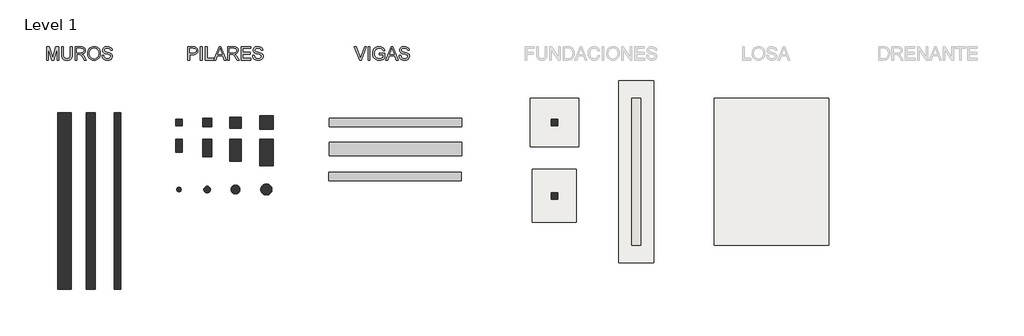
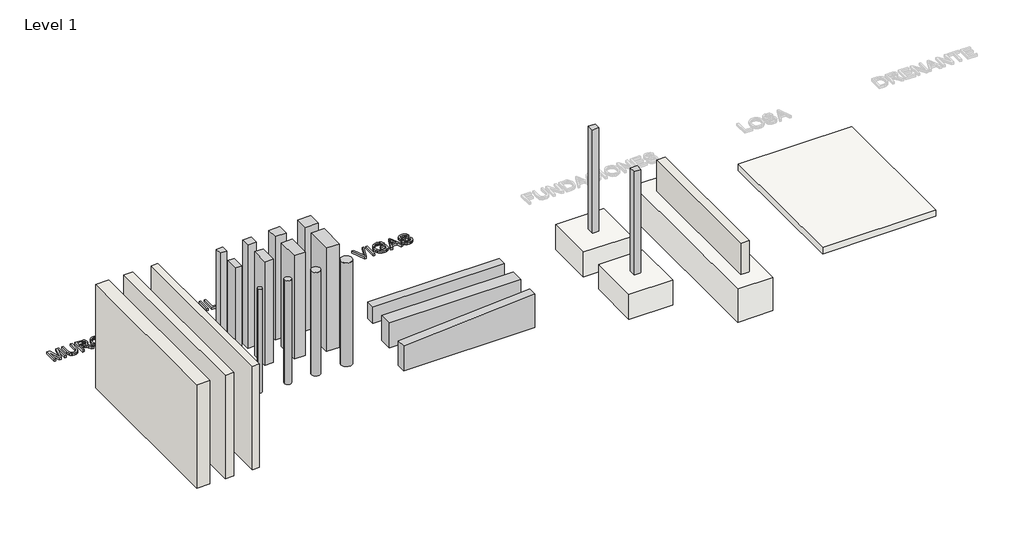
# One storey, part 1 of 2: 14 columns, 4 walls, 3 beams, 3 proxies, 3 slabs, 1 footing.
"""IFC4 building model written with IfcOpenShell, lengths in millimetres."""

import ifcopenshell
import ifcopenshell.guid

model = None  # the IFC model being written
_history = None  # IfcOwnerHistory: only IFC2X3 demands one
_inside = {}  # id of a spatial element -> (the spatial element, [elements in it])
_under = {}  # id of a project, library or spatial element -> (it, [spatial elements below it])
_declared = {}  # id of a project -> (the project, [libraries it declares])
_typed = {}  # id of a type object -> (the type object, [elements of that type])
_made_of = {}  # id of a material, layer set ... -> (it, [elements and type objects made of it])


def new_model(schema):
    """Start an empty IFC model of exactly this schema.

    Asked for "IFC4X3", IfcOpenShell would pick the latest addendum, in which some entities
    have other attributes; the version numbers below select the first issue.
    IFC2X3 requires an IfcOwnerHistory on every rooted entity: one is made here for all.
    """
    global model, _history
    if schema == "IFC4X3":
        model = ifcopenshell.file(schema_version=(4, 3, 0, 0))
    else:
        model = ifcopenshell.file(schema=schema)
    _inside.clear()
    _under.clear()
    _declared.clear()
    _typed.clear()
    _made_of.clear()
    _history = None
    if model.schema == "IFC2X3":
        org = make("IfcOrganization", Name="unknown")
        user = make(
            "IfcPersonAndOrganization",
            ThePerson=make("IfcPerson", FamilyName="unknown"),
            TheOrganization=org,
        )
        app = make(
            "IfcApplication",
            ApplicationDeveloper=org,
            Version="unknown",
            ApplicationFullName="unknown",
            ApplicationIdentifier="unknown",
        )
        _history = make(
            "IfcOwnerHistory",
            OwningUser=user,
            OwningApplication=app,
            ChangeAction="ADDED",
            CreationDate=0,
        )
    return model


def make(cls, **values):
    """One entity of the class cls with the attributes given. An attribute that is None is left unset."""
    return model.create_entity(
        cls, **{name: value for name, value in values.items() if value is not None}
    )


def rooted(cls, **values):
    """An entity with a GlobalId (a new one), such as an element, a storey or a relation."""
    return make(cls, GlobalId=ifcopenshell.guid.new(), OwnerHistory=_history, **values)


def si_unit(unit_type, name, prefix=None):
    """IfcSIUnit, for example si_unit("LENGTHUNIT", "METRE", prefix="MILLI")."""
    return make("IfcSIUnit", UnitType=unit_type, Prefix=prefix, Name=name)


def assignment(units):
    """IfcUnitAssignment: the units of a project."""
    return None if units is None else make("IfcUnitAssignment", Units=units)


def point(xyz):
    """IfcCartesianPoint."""
    return None if xyz is None else make("IfcCartesianPoint", Coordinates=xyz)


def direction(xyz):
    """IfcDirection."""
    return None if xyz is None else make("IfcDirection", DirectionRatios=xyz)


def frame(location, z_axis=None, x_axis=None):
    """IfcAxis2Placement3D, a coordinate frame: its origin and axes. An axis left out is left unset."""
    return make(
        "IfcAxis2Placement3D",
        Location=point(location),
        Axis=direction(z_axis),
        RefDirection=direction(x_axis),
    )


def frame_2d(location, x_axis=None):
    """IfcAxis2Placement2D, a coordinate frame in the plane: its origin and x axis."""
    return make(
        "IfcAxis2Placement2D", Location=point(location), RefDirection=direction(x_axis)
    )


def origin():
    """The frame at (0, 0, 0) with its axes left unset."""
    return frame((0.0, 0.0, 0.0))


def origin_with_axes():
    """The frame at (0, 0, 0) with the z axis (0, 0, 1) and the x axis (1, 0, 0) written out."""
    return frame((0.0, 0.0, 0.0), z_axis=(0.0, 0.0, 1.0), x_axis=(1.0, 0.0, 0.0))


def origin_2d():
    """The frame at (0, 0) in the plane with its x axis left unset."""
    return frame_2d((0.0, 0.0))


def place(relative_to, where):
    """IfcLocalPlacement: puts the frame where relative to a parent placement (None: the world)."""
    return make(
        "IfcLocalPlacement", PlacementRelTo=relative_to, RelativePlacement=where
    )


def context(
    kind, dimensions, precision=None, world=None, true_north=None, identifier=None
):
    """IfcGeometricRepresentationContext, for example the 3D "Model" context."""
    return make(
        "IfcGeometricRepresentationContext",
        ContextIdentifier=identifier,
        ContextType=kind,
        CoordinateSpaceDimension=dimensions,
        Precision=precision,
        WorldCoordinateSystem=world,
        TrueNorth=true_north,
    )


def project(units=None, contexts=None):
    """IfcProject with its units and contexts."""
    return rooted(
        "IfcProject",
        Name="project",
        RepresentationContexts=contexts,
        UnitsInContext=assignment(units),
    )


def spatial(cls, under=None, at=None, **own):
    """A site, building, storey or space (cls), placed at a placement, below another one or the project."""
    s = rooted(cls, ObjectPlacement=at, **own)
    if under is not None:
        _under.setdefault(under.id(), (under, []))[1].append(s)
    return s


def polyline(points):
    """IfcPolyline through the points."""
    return make("IfcPolyline", Points=[point(p) for p in points])


def circle_curve(where, radius):
    """IfcCircle in the frame where."""
    return make("IfcCircle", Position=where, Radius=radius)


def trimmed(basis, trim1, trim2, sense, master):
    """IfcTrimmedCurve: the piece of a basis curve between two trims."""
    return make(
        "IfcTrimmedCurve",
        BasisCurve=basis,
        Trim1=trim1,
        Trim2=trim2,
        SenseAgreement=sense,
        MasterRepresentation=master,
    )


def segment(curve, same_sense, transition):
    """IfcCompositeCurveSegment."""
    return make(
        "IfcCompositeCurveSegment",
        Transition=transition,
        SameSense=same_sense,
        ParentCurve=curve,
    )


def composite_curve(segments, self_intersect=None):
    """IfcCompositeCurve: segments joined end to end."""
    return make("IfcCompositeCurve", Segments=segments, SelfIntersect=self_intersect)


def outline(outer, holes=None, kind="AREA"):
    """IfcArbitraryClosedProfileDef: a profile drawn as a closed curve; with holes, ...WithVoids."""
    if holes is None:
        return make("IfcArbitraryClosedProfileDef", ProfileType=kind, OuterCurve=outer)
    return make(
        "IfcArbitraryProfileDefWithVoids",
        ProfileType=kind,
        OuterCurve=outer,
        InnerCurves=holes,
    )


def extrude(swept, where, along, depth):
    """IfcExtrudedAreaSolid: the profile swept, set in the frame where, extruded along a direction by depth."""
    return make(
        "IfcExtrudedAreaSolid",
        SweptArea=swept,
        Position=where,
        ExtrudedDirection=direction(along),
        Depth=depth,
    )


def shape(context_of_items, identifier, shape_type, items):
    """IfcShapeRepresentation: the items that make up one representation, for example the "Body"."""
    return make(
        "IfcShapeRepresentation",
        ContextOfItems=context_of_items,
        RepresentationIdentifier=identifier,
        RepresentationType=shape_type,
        Items=items,
    )


def source(mapping_origin, context_of_items, identifier, shape_type, items):
    """IfcRepresentationMap: a shape defined once, which mapped items show again and again."""
    return make(
        "IfcRepresentationMap",
        MappingOrigin=mapping_origin,
        MappedRepresentation=shape(context_of_items, identifier, shape_type, items),
    )


def transform(
    local_origin,
    x_axis=None,
    y_axis=None,
    z_axis=None,
    scale=None,
    scale2=None,
    scale3=None,
    uniform=True,
):
    """IfcCartesianTransformationOperator3D, or its non-uniform kind. x_axis, y_axis, z_axis: its Axis1, 2, 3."""
    if uniform:
        return make(
            "IfcCartesianTransformationOperator3D",
            Axis1=direction(x_axis),
            Axis2=direction(y_axis),
            LocalOrigin=point(local_origin),
            Scale=scale,
            Axis3=direction(z_axis),
        )
    return make(
        "IfcCartesianTransformationOperator3DnonUniform",
        Axis1=direction(x_axis),
        Axis2=direction(y_axis),
        LocalOrigin=point(local_origin),
        Scale=scale,
        Axis3=direction(z_axis),
        Scale2=scale2,
        Scale3=scale3,
    )


def mapped(mapping_source, mapping_target):
    """IfcMappedItem: shows the shape of a source again, moved by a transform."""
    return make(
        "IfcMappedItem", MappingSource=mapping_source, MappingTarget=mapping_target
    )


def made_of(thing, what):
    """Note that an element or type object is made of a material, layer set ...; save() writes the relation."""
    if what is not None:
        _made_of.setdefault(what.id(), (what, []))[1].append(thing)
    return thing


def element(
    cls,
    number,
    at=None,
    inside=None,
    cuts=None,
    type_object=None,
    material=None,
    context=None,
    identifier="Body",
    shape_type=None,
    held_by="IfcProductDefinitionShape",
    body=None,
    shapes=None,
    **own,
):
    """One element of the class cls, such as IfcWall. Its Tag is "e" and its number.

    at: its placement. inside: the storey or other place that contains it. cuts: it is an
    opening in that element (IfcRelVoidsElement). A single representation is given by context,
    identifier, shape_type and body (its items); several are given by shapes. held_by: the class
    of the entity that holds the representations. save() writes the other relations.
    """
    e = rooted(cls, Tag="e%d" % number, ObjectPlacement=at, **own)
    if body is not None:
        shapes = [shape(context, identifier, shape_type, body)]
    if shapes is not None:
        e.Representation = make(held_by, Representations=shapes)
    if inside is not None:
        _inside.setdefault(inside.id(), (inside, []))[1].append(e)
    if cuts is not None:
        rooted(
            "IfcRelVoidsElement", RelatingBuildingElement=cuts, RelatedOpeningElement=e
        )
    if type_object is not None:
        _typed.setdefault(type_object.id(), (type_object, []))[1].append(e)
    return made_of(e, material)


def aggregate(whole, parts):
    """IfcRelAggregates: a whole, such as a stair, and the parts it consists of."""
    return rooted("IfcRelAggregates", RelatingObject=whole, RelatedObjects=parts)


def save(model, path):
    """Write the relations noted so far, then the file.

    IfcRelAggregates (storeys below a building ...), IfcRelContainedInSpatialStructure (elements
    in a storey), IfcRelDefinesByType, IfcRelAssociatesMaterial and IfcRelDeclares: one each for
    every whole, place, type object, material and project.
    """
    for whole, parts in _under.values():
        aggregate(whole, parts)
    for where, things in _inside.values():
        rooted(
            "IfcRelContainedInSpatialStructure",
            RelatedElements=things,
            RelatingStructure=where,
        )
    for kind, things in _typed.values():
        rooted("IfcRelDefinesByType", RelatedObjects=things, RelatingType=kind)
    for what, things in _made_of.values():
        rooted("IfcRelAssociatesMaterial", RelatedObjects=things, RelatingMaterial=what)
    for by, libraries in _declared.values():
        rooted("IfcRelDeclares", RelatingContext=by, RelatedDefinitions=libraries)
    model.write(path)


def beam_20_0_x_40_0_cm_237e9766(model_context):
    return source(origin(), model_context, "Body", "SweptSolid", [
        extrude(outline(polyline([(1500.0, 100.0), (1500.0, -100.0), (-1500.0, -100.0), (-1500.0, 100.0), (1500.0, 100.0)])), frame((0.0, 0.0, -200.0), z_axis=(0.0, 0.0, 1.0), x_axis=(1.0, 0.0, 0.0)), (0.0, 0.0, 1.0), 400.0),
    ])


def beam_20_0_x_60_0_80_0_cm_fb411f3d(model_context):
    return source(origin(), model_context, "Body", "SweptSolid", [
        extrude(outline(polyline([(-150.0, 1500.0), (650.0, 1500.0), (450.0, -1500.0), (-150.0, -1500.0), (-150.0, 1500.0)])), frame((0.0, -100.0, 0.0), z_axis=(0.0, 1.0, 0.0), x_axis=(0.0, 0.0, 1.0)), (0.0, 0.0, 1.0), 200.0),
    ])


def beam_30_0_x_60_0_cm_c8492b91(model_context):
    return source(origin(), model_context, "Body", "SweptSolid", [
        extrude(outline(polyline([(1500.0, 150.0), (1500.0, -150.0), (-1500.0, -150.0), (-1500.0, 150.0), (1500.0, 150.0)])), frame((0.0, 0.0, -300.0), z_axis=(0.0, 0.0, 1.0), x_axis=(1.0, 0.0, 0.0)), (0.0, 0.0, 1.0), 600.0),
    ])


def column_092f60bb(model_context):
    return source(origin(), model_context, "Body", "SweptSolid", [
        extrude(outline(composite_curve([segment(trimmed(circle_curve(origin_2d(), 75.0), [point((-75.0, 0.0))], [point((75.0, 0.0))], False, "CARTESIAN"), True, "CONTINUOUS"), segment(trimmed(circle_curve(origin_2d(), 75.0), [point((75.0, 0.0))], [point((-75.0, 0.0))], False, "CARTESIAN"), True, "CONTINUOUS")], self_intersect=False)), origin_with_axes(), (0.0, 0.0, 1.0), 2500.0),
    ])


def column_4fd2da0b(model_context):
    return source(origin(), model_context, "Body", "SweptSolid", [
        extrude(outline(composite_curve([segment(trimmed(circle_curve(origin_2d(), 100.0), [point((-100.0, 0.0))], [point((100.0, 0.0))], False, "CARTESIAN"), True, "CONTINUOUS"), segment(trimmed(circle_curve(origin_2d(), 100.0), [point((100.0, 0.0))], [point((-100.0, 0.0))], False, "CARTESIAN"), True, "CONTINUOUS")], self_intersect=False)), origin_with_axes(), (0.0, 0.0, 1.0), 2500.0),
    ])


def column_05c106c8(model_context):
    return source(origin(), model_context, "Body", "SweptSolid", [
        extrude(outline(composite_curve([segment(trimmed(circle_curve(origin_2d(), 125.0), [point((-125.0, 0.0))], [point((125.0, 0.0))], False, "CARTESIAN"), True, "CONTINUOUS"), segment(trimmed(circle_curve(origin_2d(), 125.0), [point((125.0, 0.0))], [point((-125.0, 0.0))], False, "CARTESIAN"), True, "CONTINUOUS")], self_intersect=False)), origin_with_axes(), (0.0, 0.0, 1.0), 2500.0),
    ])


def column_b3af6c84(model_context):
    return source(origin(), model_context, "Body", "SweptSolid", [
        extrude(outline(composite_curve([segment(trimmed(circle_curve(origin_2d(), 50.0), [point((-50.0, 0.0))], [point((50.0, 0.0))], False, "CARTESIAN"), True, "CONTINUOUS"), segment(trimmed(circle_curve(origin_2d(), 50.0), [point((50.0, 0.0))], [point((-50.0, 0.0))], False, "CARTESIAN"), True, "CONTINUOUS")], self_intersect=False)), origin_with_axes(), (0.0, 0.0, 1.0), 2500.0),
    ])


def column_0_15_x_0_30_cm_678780c0(model_context):
    return source(origin(), model_context, "Body", "SweptSolid", [
        extrude(outline(polyline([(75.0, 150.0), (75.0, -150.0), (-75.0, -150.0), (-75.0, 150.0), (75.0, 150.0)])), origin_with_axes(), (0.0, 0.0, 1.0), 2500.0),
    ])


def column_0_20_x_0_40_cm_0b7c4c8e(model_context):
    return source(origin(), model_context, "Body", "SweptSolid", [
        extrude(outline(polyline([(100.0, 200.0), (100.0, -200.0), (-100.0, -200.0), (-100.0, 200.0), (100.0, 200.0)])), origin_with_axes(), (0.0, 0.0, 1.0), 2500.0),
    ])


def column_0_25_x_0_50_cm_1ace336a(model_context):
    return source(origin(), model_context, "Body", "SweptSolid", [
        extrude(outline(polyline([(125.0, 250.0), (125.0, -250.0), (-125.0, -250.0), (-125.0, 250.0), (125.0, 250.0)])), origin_with_axes(), (0.0, 0.0, 1.0), 2500.0),
    ])


def column_0_30_x_0_60_cm_f4316716(model_context):
    return source(origin(), model_context, "Body", "SweptSolid", [
        extrude(outline(polyline([(150.0, 300.0), (150.0, -300.0), (-150.0, -300.0), (-150.0, 300.0), (150.0, 300.0)])), origin_with_axes(), (0.0, 0.0, 1.0), 2500.0),
    ])


def column_15_0_x_15_0_cm_c21d2a4d(model_context):
    return source(origin(), model_context, "Body", "SweptSolid", [
        extrude(outline(polyline([(0.0, 75.0), (0.0, -75.0), (-150.0, -75.0), (-150.0, 75.0), (0.0, 75.0)])), origin_with_axes(), (0.0, 0.0, 1.0), 2500.0),
    ])


def column_20_0_x_20_0_cm_a6cfb708(model_context):
    return source(origin(), model_context, "Body", "SweptSolid", [
        extrude(outline(polyline([(25.0, 100.0), (25.0, -100.0), (-175.0, -100.0), (-175.0, 100.0), (25.0, 100.0)])), origin_with_axes(), (0.0, 0.0, 1.0), 2500.0),
    ])


def column_25_0_x_25_0_cm_426eb0ba(model_context):
    return source(origin(), model_context, "Body", "SweptSolid", [
        extrude(outline(polyline([(50.0, 125.0), (50.0, -125.0), (-200.0, -125.0), (-200.0, 125.0), (50.0, 125.0)])), origin_with_axes(), (0.0, 0.0, 1.0), 2500.0),
    ])


def column_30_0_x_30_0_cm_4ad6095c(model_context):
    return source(origin(), model_context, "Body", "SweptSolid", [
        extrude(outline(polyline([(75.0, 150.0), (75.0, -150.0), (-225.0, -150.0), (-225.0, 150.0), (75.0, 150.0)])), origin_with_axes(), (0.0, 0.0, 1.0), 2500.0),
    ])


def slab_1_1_x1_1_x_0_8_m_0ae87936(model_context):
    return source(origin(), model_context, "Body", "SweptSolid", [
        extrude(outline(polyline([(550.0, 550.0), (550.0, -550.0), (-550.0, -550.0), (-550.0, 550.0), (550.0, 550.0)])), frame((0.0, 0.0, -600.0), z_axis=(0.0, 0.0, 1.0), x_axis=(1.0, 0.0, 0.0)), (0.0, 0.0, 1.0), 600.0),
    ])


model = new_model("IFC4")

# Units and contexts
model_context = context("Model", 3, world=origin())
ifc_project = project(units=[si_unit("LENGTHUNIT", "METRE", prefix="MILLI")], contexts=[model_context])

# Site, building, storey
site = spatial("IfcSite", under=ifc_project)
building = spatial("IfcBuilding", under=site)
storey = spatial("IfcBuildingStorey", under=building, Name="Level 1", Elevation=0.0)

# Beams
placement = place(None, origin())
beam_20_0_x_40_0_cm_shape = beam_20_0_x_40_0_cm_237e9766(model_context)
element("IfcBeam", 1, ObjectType="- 20.0 x 40.0 cm", at=placement, inside=storey, context=model_context, shape_type="MappedRepresentation", body=[
    mapped(beam_20_0_x_40_0_cm_shape, transform((8604.9142725, 3528.5255102, -200.0), x_axis=(1.0, 0.0, 0.0), y_axis=(0.0, 1.0, 0.0), z_axis=(0.0, 0.0, 1.0))),
])
beam_20_0_x_60_0_80_0_cm_shape = beam_20_0_x_60_0_80_0_cm_fb411f3d(model_context)
element("IfcBeam", 2, ObjectType="- 20.0 x 60.0 / 80.0 cm", at=placement, inside=storey, context=model_context, shape_type="MappedRepresentation", body=[
    mapped(beam_20_0_x_60_0_80_0_cm_shape, transform((8600.1951737, 2308.551223, -650.0), x_axis=(1.0, 0.0, 0.0), y_axis=(0.0, 1.0, 0.0), z_axis=(0.0, 0.0, 1.0))),
])
beam_30_0_x_60_0_cm_shape = beam_30_0_x_60_0_cm_c8492b91(model_context)
element("IfcBeam", 3, ObjectType="- 30.0 x 60.0 cm", at=placement, inside=storey, context=model_context, shape_type="MappedRepresentation", body=[
    mapped(beam_30_0_x_60_0_cm_shape, transform((8604.9142725, 2928.5255102, -300.0), x_axis=(1.0, 0.0, 0.0), y_axis=(0.0, 1.0, 0.0), z_axis=(0.0, 0.0, 1.0))),
])

# Proxies
element("IfcBuildingElementProxy", 4, Name="Generic Models", at=placement, inside=storey, context=model_context, shape_type="SweptSolid", body=[
    extrude(outline(polyline([(705.7178167, 4943.9931302), (705.7178167, 5245.3620607), (770.5386243, 5245.3620607), (832.1956467, 5032.9469966), (844.6300581, 4988.580428), (858.0945391, 5036.6258166), (918.7214919, 5245.3620607), (983.5422995, 5245.3620607), (983.5422995, 4943.9931302), (945.8711832, 4943.9931302), (945.8711832, 5207.6909443), (870.1610686, 4943.9931302), (819.0990476, 4943.9931302), (743.388933, 5207.6909443), (743.388933, 4943.9931302), (705.7178167, 4943.9931302)])), origin_with_axes(), (0.0, 0.0, 1.0), 50.0),
    extrude(outline(polyline([(1247.2401136, 5245.3620607), (1284.9112299, 5245.3620607), (1284.9112299, 5071.5010297), (1282.3544501, 5030.7856899), (1274.6841105, 4999.4329469), (1260.3551067, 4975.2447057), (1237.8223345, 4956.0228714), (1207.0306115, 4943.4688984), (1167.9247555, 4939.2842407), (1129.674225, 4942.9262724), (1099.0940342, 4953.8523677), (1076.1749859, 4971.6854474), (1060.9078831, 4996.0484325), (1052.3270355, 5028.7255507), (1049.466753, 5071.5010297), (1049.466753, 5245.3620607), (1087.1378693, 5245.3620607), (1087.1378693, 5072.8254049), (1088.9956734, 5038.9710643), (1094.5690856, 5015.3990255), (1104.6674464, 4999.0742619), (1120.1000961, 4986.9617472), (1140.2232412, 4979.4569545), (1164.3930883, 4976.955357), (1202.7079981, 4981.9033698), (1217.0507974, 4988.0883858), (1228.1838263, 4996.7474083), (1236.520952, 5008.9243024), (1242.4760418, 5025.6629331), (1247.2401136, 5072.8254049), (1247.2401136, 5245.3620607)])), origin_with_axes(), (0.0, 0.0, 1.0), 50.0),
    extrude(outline(polyline([(1350.8356835, 4943.9931302), (1350.8356835, 5245.3620607), (1480.6980278, 5245.3620607), (1515.600832, 5243.3295126), (1540.9938868, 5237.2318686), (1559.5535334, 5225.9746795), (1573.9561135, 5208.4634965), (1583.1991487, 5186.7492618), (1586.2801604, 5162.8829173), (1581.1757977, 5133.1948403), (1565.8627096, 5108.5835348), (1554.2629305, 5098.554152), (1539.8810437, 5090.538923), (1502.7709475, 5080.5509268), (1524.1816796, 5064.4376954), (1554.7158852, 5025.6629331), (1604.9685657, 4943.9931302), (1561.1906083, 4943.9931302), (1521.9743876, 5006.459493), (1493.647474, 5047.8094292), (1473.745058, 5067.3439632), (1455.8292049, 5074.5176621), (1433.9770144, 5075.8420373), (1388.5067998, 5075.8420373), (1388.5067998, 4943.9931302), (1350.8356835, 4943.9931302)]), holes=[polyline([(1388.5067998, 5113.5131536), (1472.8253531, 5113.5131536), (1497.0411854, 5114.8467258), (1515.8307583, 5118.8474425), (1529.975821, 5125.7820181), (1540.2581228, 5135.9171671), (1546.5213137, 5148.1768346), (1548.6090441, 5161.4849658), (1544.6267215, 5179.8606714), (1532.6797537, 5194.6679217), (1512.1243472, 5204.4351887), (1482.3167085, 5207.6909443), (1388.5067998, 5207.6909443), (1388.5067998, 5113.5131536)])]), origin_with_axes(), (0.0, 0.0, 1.0), 50.0),
    extrude(outline(polyline([(1638.0779453, 5090.7044699), (1640.5887399, 5126.0533311), (1648.1211238, 5157.3462933), (1660.6750968, 5184.5833565), (1678.2506592, 5207.7645207), (1699.7947485, 5226.2735836), (1724.2543027, 5239.4943428), (1751.6293216, 5247.4267983), (1781.9198054, 5250.0709502), (1821.4487258, 5245.1045433), (1856.894156, 5230.2053225), (1886.3247156, 5206.4217515), (1907.8090242, 5174.802294), (1920.9424114, 5136.8736603), (1925.3202071, 5094.1625606), (1920.7124851, 5050.8812439), (1906.8893192, 5012.4191813), (1884.6140644, 4980.7445415), (1854.6500759, 4957.8254932), (1819.5081483, 4943.9195538), (1781.6990762, 4939.2842407), (1741.5631505, 4944.4069974), (1705.9153852, 4959.7752678), (1676.558402, 4984.0002972), (1655.2948227, 5015.6933311), (1642.3821646, 5052.1596338), (1638.0779453, 5090.7044699)]), holes=[polyline([(1675.7490616, 5090.3365879), (1677.6321576, 5065.3619989), (1683.2814455, 5043.1925102), (1692.6969253, 5023.8281217), (1705.878597, 5007.2688334), (1721.9021572, 4994.0066874), (1739.8433022, 4984.5337261), (1759.7020322, 4978.8499492), (1781.478347, 4976.955357), (1803.6271424, 4978.8683433), (1823.7203971, 4984.6073025), (1841.7581112, 4994.1722343), (1857.7402846, 5007.563139), (1870.8253873, 5024.4719152), (1880.1718893, 5044.5904618), (1885.7797904, 5067.9187788), (1887.6490908, 5094.4568662), (1884.4485175, 5127.8053691), (1874.8467974, 5156.6289234), (1859.0922509, 5180.2009623), (1837.4331985, 5197.7949187), (1811.3043798, 5208.7486051), (1782.1405346, 5212.3998339), (1761.1206771, 5210.6408981), (1741.6183328, 5205.3640907), (1723.6335018, 5196.5694118), (1707.166184, 5184.2568613), (1693.4211929, 5167.8332294), (1683.6033422, 5146.7053066), (1677.7126317, 5120.8730927), (1675.7490616, 5090.3365879)])]), origin_with_axes(), (0.0, 0.0, 1.0), 50.0),
    extrude(outline(polyline([(1962.9913234, 5047.5887), (2000.6624397, 5047.5887), (2004.9850532, 5026.6838057), (2012.8025456, 5009.8807955), (2024.9978337, 4996.5450732), (2042.4538344, 4986.0420423), (2063.7909901, 4979.2270283), (2087.6297434, 4976.955357), (2108.6174112, 4978.6752053), (2126.9931169, 4983.8347503), (2141.8831406, 4992.0017306), (2152.4137628, 5002.7438848), (2158.6769537, 5015.0771287), (2160.764684, 5028.0173779), (2159.2011856, 5040.6265333), (2154.5106901, 5051.5250374), (2144.9825464, 5060.8232548), (2128.9061033, 5068.6315502), (2074.0548978, 5083.0157362), (2038.0484475, 5092.5346828), (2015.0098376, 5101.5937769), (1996.2570528, 5114.2673117), (1982.9673158, 5129.626385), (1975.0486558, 5147.339903), (1972.4091025, 5167.0767721), (1975.6740552, 5189.1404947), (1985.4689133, 5209.7142953), (2001.5361595, 5227.1519019), (2023.6182762, 5239.8070425), (2050.124174, 5247.5049733), (2079.4627631, 5250.0709502), (2111.2477675, 5247.3854116), (2139.0596463, 5239.3287959), (2161.9051182, 5226.06665), (2178.7909018, 5207.7645207), (2189.4778738, 5185.5628423), (2193.7269108, 5160.602049), (2156.0557945, 5160.602049), (2149.139613, 5183.0796389), (2134.7186388, 5199.3032349), (2112.1858666, 5209.1256841), (2080.9342911, 5212.3998339), (2048.9469516, 5209.1624723), (2027.0027906, 5199.4503877), (2014.3108618, 5185.1581721), (2010.0802188, 5168.1804181), (2013.0784571, 5153.7042616), (2022.0731719, 5142.0607964), (2043.3367512, 5131.6497359), (2083.5830415, 5121.0179463), (2125.1169187, 5110.9195855), (2150.243259, 5102.1088117), (2171.7183704, 5088.4419956), (2186.7003647, 5071.5746061), (2195.5019414, 5051.6905843), (2198.4358003, 5028.9738711), (2195.060483, 5005.7513201), (2184.9345311, 4983.9083267), (2168.4718118, 4965.1095567), (2146.0861924, 4951.0196763), (2119.1664274, 4942.2180996), (2089.1012714, 4939.2842407), (2052.1935102, 4942.4480258), (2021.8156545, 4951.9393813), (1997.6182162, 4967.7950953), (1979.2517076, 4990.051956), (1967.4610897, 5017.164859), (1962.9913234, 5047.5887)])), origin_with_axes(), (0.0, 0.0, 1.0), 50.0),
])
element("IfcBuildingElementProxy", 5, Name="Generic Models", at=placement, inside=storey, context=model_context, shape_type="SweptSolid", body=[
    extrude(outline(polyline([(3905.7178167, 4943.9931302), (3905.7178167, 5245.3620607), (4017.4067905, 5245.3620607), (4062.4355467, 5242.4925811), (4082.5127065, 5237.130701), (4099.0398052, 5228.4027007), (4112.3479364, 5215.9131069), (4122.7681939, 5199.2664467), (4129.5004344, 5179.6307452), (4131.7445146, 5158.1740278), (4130.2293006, 5139.674162), (4125.6836587, 5122.6550212), (4118.1075888, 5107.1166054), (4107.5010911, 5093.0589146), (4092.9398619, 5081.4062525), (4073.4995977, 5073.0829223), (4049.1802985, 5068.0889242), (4019.9819644, 5066.4242582), (3943.388933, 5066.4242582), (3943.388933, 4943.9931302), (3905.7178167, 4943.9931302)]), holes=[polyline([(3943.388933, 5104.0953745), (4022.1892564, 5104.0953745), (4055.5929416, 5107.5534653), (4077.6658613, 5117.9277375), (4089.971514, 5134.5743978), (4094.0733982, 5156.8496526), (4091.6545741, 5173.7722244), (4084.3981018, 5188.0460458), (4073.2052921, 5198.7882001), (4058.9774559, 5205.1157704), (4021.3063396, 5207.6909443), (3943.388933, 5207.6909443), (3943.388933, 5104.0953745)])]), origin_with_axes(), (0.0, 0.0, 1.0), 50.0),
    extrude(outline(polyline([(4188.251189, 4943.9931302), (4188.251189, 5245.3620607), (4225.9223053, 5245.3620607), (4225.9223053, 4943.9931302), (4188.251189, 4943.9931302)])), origin_with_axes(), (0.0, 0.0, 1.0), 50.0),
    extrude(outline(polyline([(4301.2645379, 4943.9931302), (4301.2645379, 5245.3620607), (4338.9356542, 5245.3620607), (4338.9356542, 4981.6642465), (4489.6201195, 4981.6642465), (4489.6201195, 4943.9931302), (4301.2645379, 4943.9931302)])), origin_with_axes(), (0.0, 0.0, 1.0), 50.0),
    extrude(outline(polyline([(4496.904183, 4943.9931302), (4617.2015954, 5245.3620607), (4649.2809054, 5245.3620607), (4769.5783178, 4943.9931302), (4729.7734859, 4943.9931302), (4695.2661548, 5038.170921), (4571.1427696, 5038.170921), (4536.7090148, 4943.9931302), (4496.904183, 4943.9931302)]), holes=[polyline([(4584.9751326, 5075.8420373), (4681.5073681, 5075.8420373), (4654.3576769, 5149.9334711), (4633.2412504, 5207.6909443), (4614.4792686, 5156.4081942), (4584.9751326, 5075.8420373)])]), origin_with_axes(), (0.0, 0.0, 1.0), 50.0),
    extrude(outline(polyline([(4809.8246081, 4943.9931302), (4809.8246081, 5245.3620607), (4939.6869524, 5245.3620607), (4974.5897567, 5243.3295126), (4999.9828114, 5237.2318686), (5018.542458, 5225.9746795), (5032.9450381, 5208.4634965), (5042.1880733, 5186.7492618), (5045.269085, 5162.8829173), (5040.1647223, 5133.1948403), (5024.8516342, 5108.5835348), (5013.2518551, 5098.554152), (4998.8699683, 5090.538923), (4961.7598721, 5080.5509268), (4983.1706042, 5064.4376954), (5013.7048098, 5025.6629331), (5063.9574903, 4943.9931302), (5020.1795329, 4943.9931302), (4980.9633122, 5006.459493), (4952.6363986, 5047.8094292), (4932.7339827, 5067.3439632), (4914.8181295, 5074.5176621), (4892.965939, 5075.8420373), (4847.4957244, 5075.8420373), (4847.4957244, 4943.9931302), (4809.8246081, 4943.9931302)]), holes=[polyline([(4847.4957244, 5113.5131536), (4931.8142777, 5113.5131536), (4956.03011, 5114.8467258), (4974.8196829, 5118.8474425), (4988.9647456, 5125.7820181), (4999.2470474, 5135.9171671), (5005.5102383, 5148.1768346), (5007.5979687, 5161.4849658), (5003.6156461, 5179.8606714), (4991.6686783, 5194.6679217), (4971.1132718, 5204.4351887), (4941.3056331, 5207.6909443), (4847.4957244, 5207.6909443), (4847.4957244, 5113.5131536)])]), origin_with_axes(), (0.0, 0.0, 1.0), 50.0),
    extrude(outline(polyline([(5111.1935385, 4943.9931302), (5111.1935385, 5245.3620607), (5327.8024573, 5245.3620607), (5327.8024573, 5207.6909443), (5148.8646548, 5207.6909443), (5148.8646548, 5118.2220431), (5318.3846782, 5118.2220431), (5318.3846782, 5080.5509268), (5148.8646548, 5080.5509268), (5148.8646548, 4981.6642465), (5332.5113468, 4981.6642465), (5332.5113468, 4943.9931302), (5111.1935385, 4943.9931302)])), origin_with_axes(), (0.0, 0.0, 1.0), 50.0),
    extrude(outline(polyline([(5374.8913527, 5047.5887), (5412.562469, 5047.5887), (5416.8850824, 5026.6838057), (5424.7025748, 5009.8807955), (5436.8978629, 4996.5450732), (5454.3538636, 4986.0420423), (5475.6910193, 4979.2270283), (5499.5297726, 4976.955357), (5520.5174404, 4978.6752053), (5538.8931461, 4983.8347503), (5553.7831699, 4992.0017306), (5564.313792, 5002.7438848), (5570.5769829, 5015.0771287), (5572.6647133, 5028.0173779), (5571.1012148, 5040.6265333), (5566.4107193, 5051.5250374), (5556.8825757, 5060.8232548), (5540.8061325, 5068.6315502), (5485.954927, 5083.0157362), (5449.9484767, 5092.5346828), (5426.9098668, 5101.5937769), (5408.1570821, 5114.2673117), (5394.867345, 5129.626385), (5386.948685, 5147.339903), (5384.3091317, 5167.0767721), (5387.5740844, 5189.1404947), (5397.3689426, 5209.7142953), (5413.4361887, 5227.1519019), (5435.5183055, 5239.8070425), (5462.0242032, 5247.5049733), (5491.3627923, 5250.0709502), (5523.1477967, 5247.3854116), (5550.9596755, 5239.3287959), (5573.8051474, 5226.06665), (5590.690931, 5207.7645207), (5601.377903, 5185.5628423), (5605.62694, 5160.602049), (5567.9558237, 5160.602049), (5561.0396422, 5183.0796389), (5546.618668, 5199.3032349), (5524.0858958, 5209.1256841), (5492.8343203, 5212.3998339), (5460.8469808, 5209.1624723), (5438.9028198, 5199.4503877), (5426.210891, 5185.1581721), (5421.980248, 5168.1804181), (5424.9784863, 5153.7042616), (5433.9732011, 5142.0607964), (5455.2367804, 5131.6497359), (5495.4830707, 5121.0179463), (5537.0169479, 5110.9195855), (5562.1432882, 5102.1088117), (5583.6183997, 5088.4419956), (5598.6003939, 5071.5746061), (5607.4019707, 5051.6905843), (5610.3358296, 5028.9738711), (5606.9605123, 5005.7513201), (5596.8345603, 4983.9083267), (5580.3718411, 4965.1095567), (5557.9862217, 4951.0196763), (5531.0664567, 4942.2180996), (5501.0013006, 4939.2842407), (5464.0935394, 4942.4480258), (5433.7156837, 4951.9393813), (5409.5182455, 4967.7950953), (5391.1517368, 4990.051956), (5379.3611189, 5017.164859), (5374.8913527, 5047.5887)])), origin_with_axes(), (0.0, 0.0, 1.0), 50.0),
])
element("IfcBuildingElementProxy", 6, Name="Generic Models", at=placement, inside=storey, context=model_context, shape_type="SweptSolid", body=[
    extrude(outline(polyline([(7794.7452596, 4943.9931302), (7674.8157291, 5245.3620607), (7715.1355958, 5245.3620607), (7795.4074471, 5028.2381071), (7811.6678313, 4979.3098017), (7827.7074863, 5028.2381071), (7908.2000669, 5245.3620607), (7948.5199335, 5245.3620607), (7833.6671746, 4943.9931302), (7794.7452596, 4943.9931302)])), origin_with_axes(), (0.0, 0.0, 1.0), 50.0),
    extrude(outline(polyline([(7988.251189, 4943.9931302), (7988.251189, 5245.3620607), (8025.9223053, 5245.3620607), (8025.9223053, 4943.9931302), (7988.251189, 4943.9931302)])), origin_with_axes(), (0.0, 0.0, 1.0), 50.0),
    extrude(outline(polyline([(8242.5312241, 5061.7153687), (8242.5312241, 5099.386485), (8364.9623521, 5099.386485), (8364.9623521, 4986.741018), (8335.2098957, 4966.0476558), (8304.5193403, 4951.2036173), (8272.9642621, 4942.2640848), (8240.6182377, 4939.2842407), (8198.3577935, 4944.0207214), (8160.1624454, 4958.2301634), (8128.4326233, 4981.4159262), (8105.5687573, 5013.0813689), (8091.7455913, 5051.0651849), (8087.1378693, 5093.2060674), (8091.7271972, 5135.6504526), (8105.4951809, 5175.1333878), (8127.8716032, 5208.2519644), (8158.2862472, 5231.603274), (8195.3319641, 5245.4540312), (8237.6016053, 5250.0709502), (8268.6324516, 5247.3946087), (8296.536301, 5239.3655841), (8320.0347634, 5226.5632907), (8337.849449, 5209.5671425), (8351.0288215, 5187.5586022), (8360.6213445, 5159.7191322), (8325.8932842, 5149.9334711), (8318.1401711, 5169.7899018), (8308.713195, 5184.771896), (8296.2419954, 5196.0658733), (8279.3562118, 5204.858253), (8259.2238696, 5210.5144387), (8237.0129942, 5212.3998339), (8211.0129341, 5210.3672859), (8188.7836646, 5204.2696418), (8170.4079589, 5194.8702568), (8155.9685906, 5182.9324861), (8136.5812095, 5153.9065967), (8127.7520416, 5125.4693184), (8124.8089856, 5094.7511718), (8128.3498498, 5058.7263274), (8138.9724424, 5029.0842357), (8156.3548667, 5006.0364287), (8180.1752259, 4989.7944386), (8208.0514841, 4980.1651274), (8237.6016053, 4976.955357), (8263.6936359, 4979.3741811), (8289.1418729, 4986.6306534), (8311.2423837, 4996.6278467), (8327.2912358, 5007.2688334), (8327.2912358, 5061.7153687), (8242.5312241, 5061.7153687)])), origin_with_axes(), (0.0, 0.0, 1.0), 50.0),
    extrude(outline(polyline([(8391.0819737, 4943.9931302), (8511.3793862, 5245.3620607), (8543.4586961, 5245.3620607), (8663.7561086, 4943.9931302), (8623.9512767, 4943.9931302), (8589.4439455, 5038.170921), (8465.3205604, 5038.170921), (8430.8868056, 4943.9931302), (8391.0819737, 4943.9931302)]), holes=[polyline([(8479.1529234, 5075.8420373), (8575.6851589, 5075.8420373), (8548.5354677, 5149.9334711), (8527.4190411, 5207.6909443), (8508.6570594, 5156.4081942), (8479.1529234, 5075.8420373)])]), origin_with_axes(), (0.0, 0.0, 1.0), 50.0),
    extrude(outline(polyline([(8689.8757302, 5047.5887), (8727.5468465, 5047.5887), (8731.86946, 5026.6838057), (8739.6869524, 5009.8807955), (8751.8822405, 4996.5450732), (8769.3382412, 4986.0420423), (8790.6753969, 4979.2270283), (8814.5141502, 4976.955357), (8835.501818, 4978.6752053), (8853.8775237, 4983.8347503), (8868.7675474, 4992.0017306), (8879.2981695, 5002.7438848), (8885.5613605, 5015.0771287), (8887.6490908, 5028.0173779), (8886.0855923, 5040.6265333), (8881.3950969, 5051.5250374), (8871.8669532, 5060.8232548), (8855.79051, 5068.6315502), (8800.9393046, 5083.0157362), (8764.9328543, 5092.5346828), (8741.8942443, 5101.5937769), (8723.1414596, 5114.2673117), (8709.8517226, 5129.626385), (8701.9330626, 5147.339903), (8699.2935093, 5167.0767721), (8702.558462, 5189.1404947), (8712.3533201, 5209.7142953), (8728.4205663, 5227.1519019), (8750.502683, 5239.8070425), (8777.0085808, 5247.5049733), (8806.3471699, 5250.0709502), (8838.1321743, 5247.3854116), (8865.9440531, 5239.3287959), (8888.789525, 5226.06665), (8905.6753086, 5207.7645207), (8916.3622805, 5185.5628423), (8920.6113176, 5160.602049), (8882.9402013, 5160.602049), (8876.0240198, 5183.0796389), (8861.6030456, 5199.3032349), (8839.0702734, 5209.1256841), (8807.8186979, 5212.3998339), (8775.8313584, 5209.1624723), (8753.8871974, 5199.4503877), (8741.1952685, 5185.1581721), (8736.9646256, 5168.1804181), (8739.9628639, 5153.7042616), (8748.9575786, 5142.0607964), (8770.221158, 5131.6497359), (8810.4674482, 5121.0179463), (8852.0013255, 5110.9195855), (8877.1276658, 5102.1088117), (8898.6027772, 5088.4419956), (8913.5847715, 5071.5746061), (8922.3863482, 5051.6905843), (8925.3202071, 5028.9738711), (8921.9448898, 5005.7513201), (8911.8189379, 4983.9083267), (8895.3562186, 4965.1095567), (8872.9705992, 4951.0196763), (8846.0508342, 4942.2180996), (8815.9856782, 4939.2842407), (8779.077917, 4942.4480258), (8748.7000612, 4951.9393813), (8724.502623, 4967.7950953), (8706.1361144, 4990.051956), (8694.3454965, 5017.164859), (8689.8757302, 5047.5887)])), origin_with_axes(), (0.0, 0.0, 1.0), 50.0),
])

# Columns
column_shape = column_092f60bb(model_context)
element("IfcColumn", 7, at=placement, inside=storey, context=model_context, shape_type="MappedRepresentation", body=[
    mapped(column_shape, transform((4343.8642275, 2013.5255102, 0.0), x_axis=(1.0, 0.0, 0.0), y_axis=(0.0, 1.0, 0.0), z_axis=(0.0, 0.0, 1.0))),
])
column_2_shape = column_4fd2da0b(model_context)
element("IfcColumn", 8, at=placement, inside=storey, context=model_context, shape_type="MappedRepresentation", body=[
    mapped(column_2_shape, transform((4983.8642275, 2013.5255102, 0.0), x_axis=(1.0, 0.0, 0.0), y_axis=(0.0, 1.0, 0.0), z_axis=(0.0, 0.0, 1.0))),
])
column_3_shape = column_05c106c8(model_context)
element("IfcColumn", 9, at=placement, inside=storey, context=model_context, shape_type="MappedRepresentation", body=[
    mapped(column_3_shape, transform((5683.8642275, 2013.5255102, 0.0), x_axis=(1.0, 0.0, 0.0), y_axis=(0.0, 1.0, 0.0), z_axis=(0.0, 0.0, 1.0))),
])
column_4_shape = column_b3af6c84(model_context)
element("IfcColumn", 10, at=placement, inside=storey, context=model_context, shape_type="MappedRepresentation", body=[
    mapped(column_4_shape, transform((3703.8642275, 2013.5255102, 0.0), x_axis=(1.0, 0.0, 0.0), y_axis=(0.0, 1.0, 0.0), z_axis=(0.0, 0.0, 1.0))),
])
column_0_15_x_0_30_cm_shape = column_0_15_x_0_30_cm_678780c0(model_context)
element("IfcColumn", 11, ObjectType="- 0.15 x 0.30 cm", at=placement, inside=storey, context=model_context, shape_type="MappedRepresentation", body=[
    mapped(column_0_15_x_0_30_cm_shape, transform((3703.8642275, 3003.5255102, 0.0), x_axis=(1.0, 0.0, 0.0), y_axis=(0.0, 1.0, 0.0), z_axis=(0.0, 0.0, 1.0))),
])
column_0_20_x_0_40_cm_shape = column_0_20_x_0_40_cm_0b7c4c8e(model_context)
element("IfcColumn", 12, ObjectType="- 0.20 x 0.40 cm", at=placement, inside=storey, context=model_context, shape_type="MappedRepresentation", body=[
    mapped(column_0_20_x_0_40_cm_shape, transform((4343.8642275, 2953.5255102, 0.0), x_axis=(1.0, 0.0, 0.0), y_axis=(0.0, 1.0, 0.0), z_axis=(0.0, 0.0, 1.0))),
])
column_0_25_x_0_50_cm_shape = column_0_25_x_0_50_cm_1ace336a(model_context)
element("IfcColumn", 13, ObjectType="- 0.25 x 0.50 cm", at=placement, inside=storey, context=model_context, shape_type="MappedRepresentation", body=[
    mapped(column_0_25_x_0_50_cm_shape, transform((4983.8642275, 2903.5255102, 0.0), x_axis=(1.0, 0.0, 0.0), y_axis=(0.0, 1.0, 0.0), z_axis=(0.0, 0.0, 1.0))),
])
column_0_30_x_0_60_cm_shape = column_0_30_x_0_60_cm_f4316716(model_context)
element("IfcColumn", 14, ObjectType="- 0.30 x 0.60 cm", at=placement, inside=storey, context=model_context, shape_type="MappedRepresentation", body=[
    mapped(column_0_30_x_0_60_cm_shape, transform((5683.8642275, 2853.5255102, 0.0), x_axis=(1.0, 0.0, 0.0), y_axis=(0.0, 1.0, 0.0), z_axis=(0.0, 0.0, 1.0))),
])
column_15_0_x_15_0_cm_shape = column_15_0_x_15_0_cm_c21d2a4d(model_context)
element("IfcColumn", 15, ObjectType="- 15.0 x 15.0 cm", at=placement, inside=storey, context=model_context, shape_type="MappedRepresentation", body=[
    mapped(column_15_0_x_15_0_cm_shape, transform((3778.8642275, 3528.5255102, 0.0), x_axis=(1.0, 0.0, 0.0), y_axis=(0.0, 1.0, 0.0), z_axis=(0.0, 0.0, 1.0))),
])
element("IfcColumn", 16, ObjectType="- 15.0 x 15.0 cm", at=placement, inside=storey, context=model_context, shape_type="MappedRepresentation", body=[
    mapped(column_15_0_x_15_0_cm_shape, transform((12278.4642275, 3528.5255102, 0.0), x_axis=(1.0, 0.0, 0.0), y_axis=(0.0, 1.0, 0.0), z_axis=(0.0, 0.0, 1.0))),
])
element("IfcColumn", 17, ObjectType="- 15.0 x 15.0 cm", at=placement, inside=storey, context=model_context, shape_type="MappedRepresentation", body=[
    mapped(column_15_0_x_15_0_cm_shape, transform((12278.4642275, 1868.5255102, 0.0), x_axis=(1.0, 0.0, 0.0), y_axis=(0.0, 1.0, 0.0), z_axis=(0.0, 0.0, 1.0))),
])
column_20_0_x_20_0_cm_shape = column_20_0_x_20_0_cm_a6cfb708(model_context)
element("IfcColumn", 18, ObjectType="- 20.0 x 20.0 cm", at=placement, inside=storey, context=model_context, shape_type="MappedRepresentation", body=[
    mapped(column_20_0_x_20_0_cm_shape, transform((4418.8642275, 3528.5255102, 0.0), x_axis=(1.0, 0.0, 0.0), y_axis=(0.0, 1.0, 0.0), z_axis=(0.0, 0.0, 1.0))),
])
column_25_0_x_25_0_cm_shape = column_25_0_x_25_0_cm_426eb0ba(model_context)
element("IfcColumn", 19, ObjectType="- 25.0 x 25.0 cm", at=placement, inside=storey, context=model_context, shape_type="MappedRepresentation", body=[
    mapped(column_25_0_x_25_0_cm_shape, transform((5058.8642275, 3528.5255102, 0.0), x_axis=(1.0, 0.0, 0.0), y_axis=(0.0, 1.0, 0.0), z_axis=(0.0, 0.0, 1.0))),
])
column_30_0_x_30_0_cm_shape = column_30_0_x_30_0_cm_4ad6095c(model_context)
element("IfcColumn", 20, ObjectType="- 30.0 x 30.0 cm", at=placement, inside=storey, context=model_context, shape_type="MappedRepresentation", body=[
    mapped(column_30_0_x_30_0_cm_shape, transform((5758.8642275, 3528.5255102, 0.0), x_axis=(1.0, 0.0, 0.0), y_axis=(0.0, 1.0, 0.0), z_axis=(0.0, 0.0, 1.0))),
])

# Footing
element("IfcFooting", 21, at=placement, inside=storey, context=model_context, shape_type="SweptSolid", body=[
    extrude(outline(polyline([(13656.7142725, 4478.5255102), (14456.7142725, 4478.5255102), (14456.7142725, 353.5255102), (13656.7142725, 353.5255102), (13656.7142725, 4478.5255102)])), frame((0.0, 0.0, -800.0), z_axis=(0.0, 0.0, 1.0), x_axis=(1.0, 0.0, 0.0)), (0.0, 0.0, 1.0), 800.0),
])

# Slabs
element("IfcSlab", 22, ObjectType="- 1.0 x1.2 x 0.8 m", at=placement, inside=storey, context=model_context, shape_type="SweptSolid", body=[
    extrude(outline(polyline([(12703.4642275, 2468.5255102), (12703.4642275, 1268.5255102), (11703.4642275, 1268.5255102), (11703.4642275, 2468.5255102), (12703.4642275, 2468.5255102)])), frame((0.0, 0.0, -600.0), z_axis=(0.0, 0.0, 1.0), x_axis=(1.0, 0.0, 0.0)), (0.0, 0.0, 1.0), 600.0),
])
slab_1_1_x1_1_x_0_8_m_shape = slab_1_1_x1_1_x_0_8_m_0ae87936(model_context)
element("IfcSlab", 23, ObjectType="- 1.1 x1.1 x 0.8 m", at=placement, inside=storey, context=model_context, shape_type="MappedRepresentation", body=[
    mapped(slab_1_1_x1_1_x_0_8_m_shape, transform((12203.4642275, 3528.5255102, 0.0), x_axis=(1.0, 0.0, 0.0), y_axis=(0.0, 1.0, 0.0), z_axis=(0.0, 0.0, 1.0))),
])
element("IfcSlab", 24, ObjectType="- Losa", at=placement, inside=storey, context=model_context, shape_type="SweptSolid", body=[
    extrude(outline(polyline([(18417.5142725, 4078.5255102), (18417.5142725, 753.5255102), (15826.4600736, 753.5255102), (15826.4600736, 4078.5255102), (18417.5142725, 4078.5255102)])), frame((0.0, 0.0, -150.01875), z_axis=(0.0, 0.0, 1.0), x_axis=(1.0, 0.0, 0.0)), (0.0, 0.0, 1.0), 150.01875),
])

# Walls
element("IfcWall", 25, at=placement, inside=storey, context=model_context, shape_type="SweptSolid", body=[
    extrude(outline(polyline([(13956.7142725, 753.5255102), (13956.7142725, 4078.5255102), (14156.7142725, 4078.5255102), (14156.7142725, 753.5255102), (13956.7142725, 753.5255102)])), origin_with_axes(), (0.0, 0.0, 1.0), 751.2551301),
])
element("IfcWall", 26, ObjectType="- Muro - 15.0 cm", at=placement, inside=storey, context=model_context, shape_type="SweptSolid", body=[
    extrude(outline(polyline([(2234.5142725, -246.4744898), (2234.5142725, 3753.5255102), (2384.5142725, 3753.5255102), (2384.5142725, -246.4744898), (2234.5142725, -246.4744898)])), origin_with_axes(), (0.0, 0.0, 1.0), 2500.0),
])
element("IfcWall", 27, ObjectType="- Muro - 20.0 cm", at=placement, inside=storey, context=model_context, shape_type="SweptSolid", body=[
    extrude(outline(polyline([(1609.5142725, -246.4744898), (1609.5142725, 3753.5255102), (1809.5142725, 3753.5255102), (1809.5142725, -246.4744898), (1609.5142725, -246.4744898)])), origin_with_axes(), (0.0, 0.0, 1.0), 2500.0),
])
element("IfcWall", 28, ObjectType="- Muro - 30.0 cm", at=placement, inside=storey, context=model_context, shape_type="SweptSolid", body=[
    extrude(outline(polyline([(959.5142725, -246.4744898), (959.5142725, 3753.5255102), (1259.5142725, 3753.5255102), (1259.5142725, -246.4744898), (959.5142725, -246.4744898)])), origin_with_axes(), (0.0, 0.0, 1.0), 2500.0),
])

save(model, "model.ifc")
